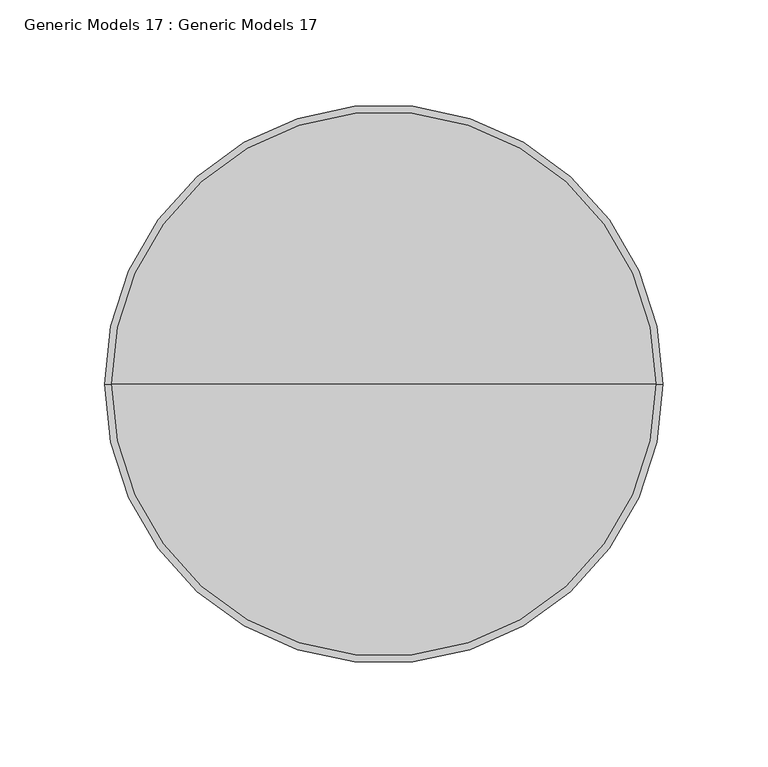
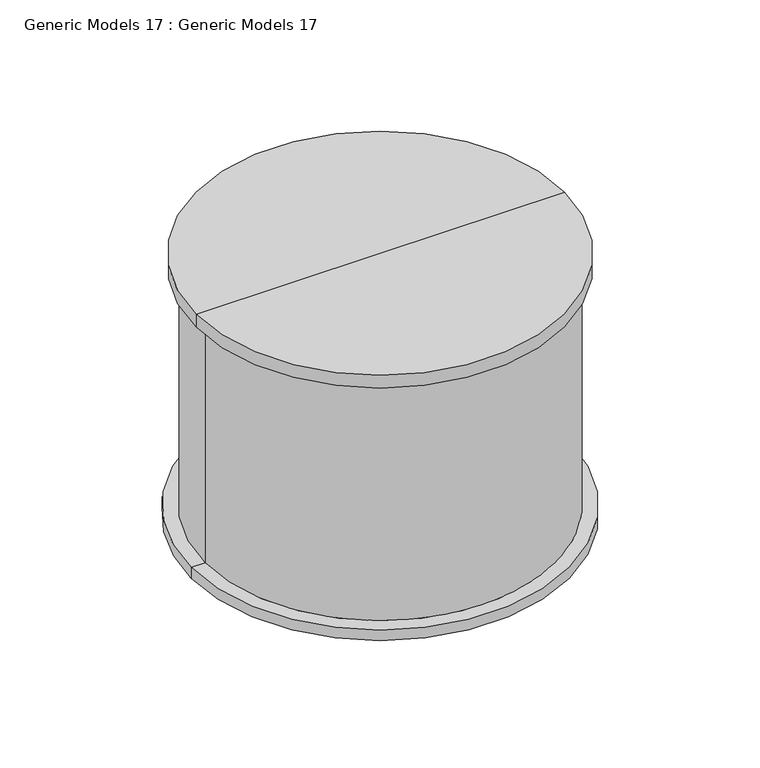
"""IFC4 building model written with IfcOpenShell, lengths in millimetres: proxy geometry, Generic Models 17 : Generic Models 17."""

from ifc_helpers import new_model, si_unit, frame, origin, place, context, project, spatial, circle_curve, source, transform, mapped, element, save
from ifc_brep_helpers import plane_surface, cylinder_surface, advanced_brep


def generic_models_17_generic_models_17_736c8789(model_context):
    return source(origin(), model_context, "Body", "AdvancedBrep", [
        advanced_brep(
        [(-25216.4519257, -7032.5118204, -1629.4170147), (-24950.0473413, -7032.5118204, -1629.4170147), (-24950.0473413, -7032.5118204, -1637.3545147), (-25216.4519257, -7032.5118204, -1637.3545147), (-25206.7138978, -7032.5118204, -1629.4170147), (-24959.7853692, -7032.5118204, -1629.4170147), (-25206.7138978, -7032.5118204, -1451.6170147), (-24959.7853692, -7032.5118204, -1451.6170147), (-25213.0638978, -7032.5118204, -1451.6170147), (-24953.4353692, -7032.5118204, -1451.6170147), (-25213.0638978, -7032.5118204, -1442.1483225), (-24953.4353692, -7032.5118204, -1442.1483225), (-25083.2496335, -7032.5118204, -1442.1483225), (-25083.2496335, -7032.5118204, -1637.3545147)],
        [
            (0, 1, circle_curve(frame((-25083.2496335, -7032.5118204, -1629.4170147), z_axis=(0.0, 0.0, -1.0), x_axis=(1.0, 0.0, 0.0)), 133.2022922)),
            (1, 2),
            (2, 3, circle_curve(frame((-25083.2496335, -7032.5118204, -1637.3545147), z_axis=(0.0, 0.0, 1.0), x_axis=(1.0, 0.0, 0.0)), 133.2022922)),
            (3, 0),
            (1, 0, circle_curve(frame((-25083.2496335, -7032.5118204, -1629.4170147), z_axis=(0.0, 0.0, -1.0), x_axis=(1.0, 0.0, 0.0)), 133.2022922)),
            (3, 2, circle_curve(frame((-25083.2496335, -7032.5118204, -1637.3545147), z_axis=(0.0, 0.0, 1.0), x_axis=(1.0, 0.0, 0.0)), 133.2022922)),
            (4, 5, circle_curve(frame((-25083.2496335, -7032.5118204, -1629.4170147), z_axis=(0.0, 0.0, -1.0), x_axis=(1.0, 0.0, 0.0)), 123.4642643)),
            (5, 1),
            (0, 4),
            (5, 4, circle_curve(frame((-25083.2496335, -7032.5118204, -1629.4170147), z_axis=(0.0, 0.0, -1.0), x_axis=(1.0, 0.0, 0.0)), 123.4642643)),
            (6, 7, circle_curve(frame((-25083.2496335, -7032.5118204, -1451.6170147), z_axis=(0.0, 0.0, -1.0), x_axis=(1.0, 0.0, 0.0)), 123.4642643)),
            (7, 5),
            (4, 6),
            (7, 6, circle_curve(frame((-25083.2496335, -7032.5118204, -1451.6170147), z_axis=(0.0, 0.0, -1.0), x_axis=(1.0, 0.0, 0.0)), 123.4642643)),
            (8, 9, circle_curve(frame((-25083.2496335, -7032.5118204, -1451.6170147), z_axis=(0.0, 0.0, -1.0), x_axis=(1.0, 0.0, 0.0)), 129.8142643)),
            (9, 7),
            (6, 8),
            (9, 8, circle_curve(frame((-25083.2496335, -7032.5118204, -1451.6170147), z_axis=(0.0, 0.0, -1.0), x_axis=(1.0, 0.0, 0.0)), 129.8142643)),
            (10, 11, circle_curve(frame((-25083.2496335, -7032.5118204, -1442.1483225), z_axis=(0.0, 0.0, -1.0), x_axis=(1.0, 0.0, 0.0)), 129.8142643)),
            (11, 9),
            (8, 10),
            (11, 10, circle_curve(frame((-25083.2496335, -7032.5118204, -1442.1483225), z_axis=(0.0, 0.0, -1.0), x_axis=(1.0, 0.0, 0.0)), 129.8142643)),
            (12, 11),
            (10, 12),
            (2, 13),
            (13, 3),
        ],
        [
            cylinder_surface(frame((-25083.2496335, -7032.5118204, -1442.1483225), z_axis=(0.0, 0.0, 1.0), x_axis=(1.0, 0.0, 0.0)), 133.2022922),
            plane_surface(frame((-25083.2496335, -7032.5118204, -1629.4170147), z_axis=(0.0, 0.0, 1.0), x_axis=(1.0, 0.0, 0.0))),
            cylinder_surface(frame((-25083.2496335, -7032.5118204, -1442.1483225), z_axis=(0.0, 0.0, 1.0), x_axis=(1.0, 0.0, 0.0)), 123.4642643),
            plane_surface(frame((-25083.2496335, -7032.5118204, -1451.6170147), z_axis=(0.0, 0.0, -1.0), x_axis=(1.0, 0.0, 0.0))),
            cylinder_surface(frame((-25083.2496335, -7032.5118204, -1442.1483225), z_axis=(0.0, 0.0, 1.0), x_axis=(1.0, 0.0, 0.0)), 129.8142643),
            plane_surface(frame((-25083.2496335, -7032.5118204, -1442.1483225), z_axis=(0.0, 0.0, 1.0), x_axis=(1.0, 0.0, 0.0))),
            plane_surface(frame((-25083.2496335, -7032.5118204, -1637.3545147), z_axis=(0.0, 0.0, -1.0), x_axis=(1.0, 0.0, 0.0))),
        ],
        [
            (0, [[1, 2, 3, 4]]),
            (0, [[5, -4, 6, -2]]),
            (1, [[7, 8, -1, 9]]),
            (1, [[10, -9, -5, -8]]),
            (2, [[11, 12, -7, 13]]),
            (2, [[14, -13, -10, -12]]),
            (3, [[15, 16, -11, 17]]),
            (3, [[18, -17, -14, -16]]),
            (4, [[19, 20, -15, 21]]),
            (4, [[22, -21, -18, -20]]),
            (5, [[23, -19, 24]]),
            (5, [[-24, -22, -23]]),
            (6, [[-3, 25, 26]]),
            (6, [[-6, -26, -25]]),
        ],
    ),
    ])


if __name__ == "__main__":
    model = new_model("IFC4")
    model_context = context("Model", 3, world=origin())
    ifc_project = project(units=[si_unit("LENGTHUNIT", "METRE", prefix="MILLI")], contexts=[model_context])
    site = spatial("IfcSite", under=ifc_project)
    building = spatial("IfcBuilding", under=site)
    placement = place(None, origin())
    generic_models_17_generic_models_17_shape = generic_models_17_generic_models_17_736c8789(model_context)
    element("IfcBuildingElementProxy", 1, Name="Generic Models 17 : Generic Models 17", ObjectType="Generic Models 17 : Generic Models 17", at=placement, inside=building, context=model_context, shape_type="MappedRepresentation", body=[
        mapped(generic_models_17_generic_models_17_shape, transform((0.0, 0.0, 0.0), x_axis=(1.0, 0.0, 0.0), y_axis=(0.0, 1.0, 0.0), z_axis=(0.0, 0.0, 1.0))),
    ])
    save(model, "model.ifc")
